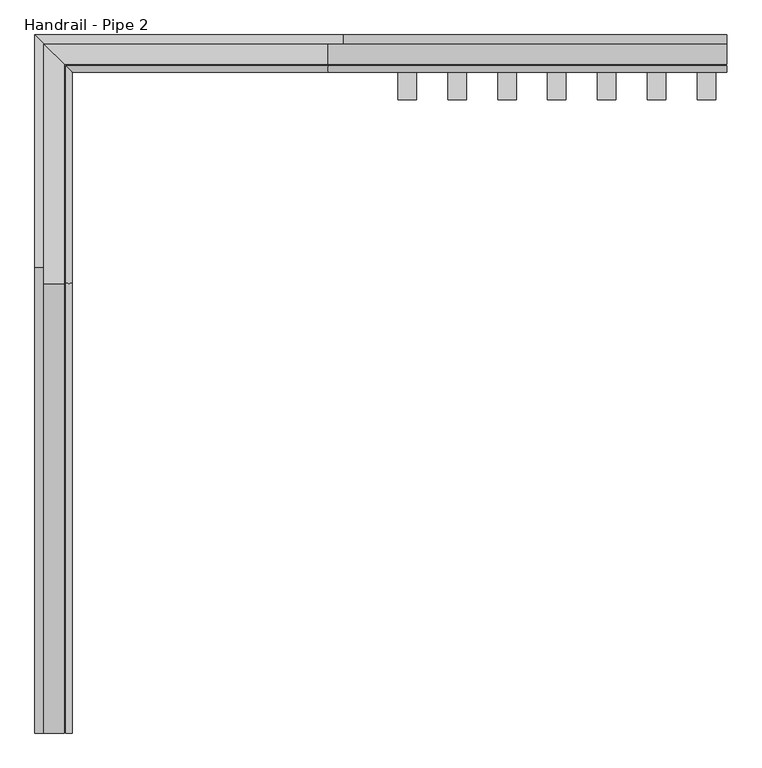
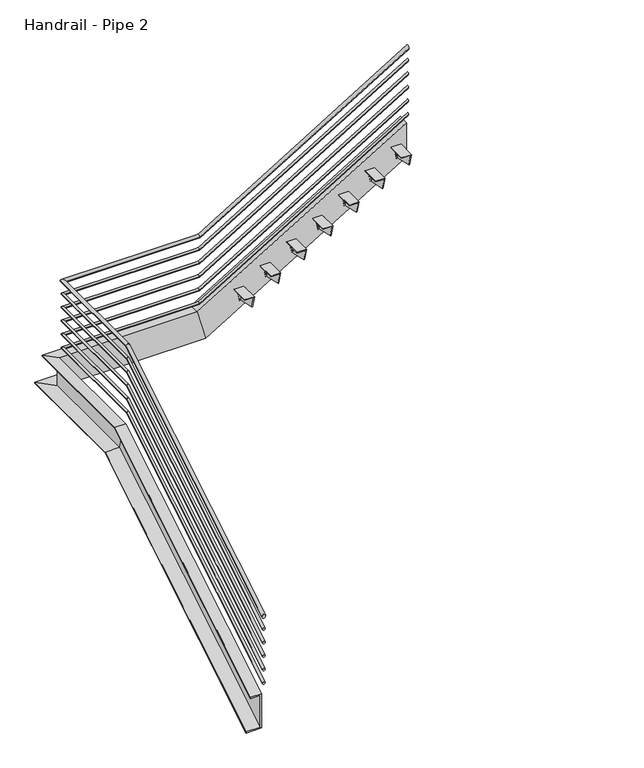
"""IFC4 building model written with IfcOpenShell, lengths in millimetres: railing geometry, Handrail - Pipe 2."""

import ifcopenshell
import ifcopenshell.guid

model = None  # the IFC model being written
_history = None  # IfcOwnerHistory: only IFC2X3 demands one
_inside = {}  # id of a spatial element -> (the spatial element, [elements in it])
_under = {}  # id of a project, library or spatial element -> (it, [spatial elements below it])
_declared = {}  # id of a project -> (the project, [libraries it declares])
_typed = {}  # id of a type object -> (the type object, [elements of that type])
_made_of = {}  # id of a material, layer set ... -> (it, [elements and type objects made of it])


def new_model(schema):
    """Start an empty IFC model of exactly this schema.

    Asked for "IFC4X3", IfcOpenShell would pick the latest addendum, in which some entities
    have other attributes; the version numbers below select the first issue.
    IFC2X3 requires an IfcOwnerHistory on every rooted entity: one is made here for all.
    """
    global model, _history
    if schema == "IFC4X3":
        model = ifcopenshell.file(schema_version=(4, 3, 0, 0))
    else:
        model = ifcopenshell.file(schema=schema)
    _inside.clear()
    _under.clear()
    _declared.clear()
    _typed.clear()
    _made_of.clear()
    _history = None
    if model.schema == "IFC2X3":
        org = make("IfcOrganization", Name="unknown")
        user = make(
            "IfcPersonAndOrganization",
            ThePerson=make("IfcPerson", FamilyName="unknown"),
            TheOrganization=org,
        )
        app = make(
            "IfcApplication",
            ApplicationDeveloper=org,
            Version="unknown",
            ApplicationFullName="unknown",
            ApplicationIdentifier="unknown",
        )
        _history = make(
            "IfcOwnerHistory",
            OwningUser=user,
            OwningApplication=app,
            ChangeAction="ADDED",
            CreationDate=0,
        )
    return model


def make(cls, **values):
    """One entity of the class cls with the attributes given. An attribute that is None is left unset."""
    return model.create_entity(
        cls, **{name: value for name, value in values.items() if value is not None}
    )


def rooted(cls, **values):
    """An entity with a GlobalId (a new one), such as an element, a storey or a relation."""
    return make(cls, GlobalId=ifcopenshell.guid.new(), OwnerHistory=_history, **values)


def si_unit(unit_type, name, prefix=None):
    """IfcSIUnit, for example si_unit("LENGTHUNIT", "METRE", prefix="MILLI")."""
    return make("IfcSIUnit", UnitType=unit_type, Prefix=prefix, Name=name)


def assignment(units):
    """IfcUnitAssignment: the units of a project."""
    return None if units is None else make("IfcUnitAssignment", Units=units)


def point(xyz):
    """IfcCartesianPoint."""
    return None if xyz is None else make("IfcCartesianPoint", Coordinates=xyz)


def direction(xyz):
    """IfcDirection."""
    return None if xyz is None else make("IfcDirection", DirectionRatios=xyz)


def frame(location, z_axis=None, x_axis=None):
    """IfcAxis2Placement3D, a coordinate frame: its origin and axes. An axis left out is left unset."""
    return make(
        "IfcAxis2Placement3D",
        Location=point(location),
        Axis=direction(z_axis),
        RefDirection=direction(x_axis),
    )


def origin():
    """The frame at (0, 0, 0) with its axes left unset."""
    return frame((0.0, 0.0, 0.0))


def place(relative_to, where):
    """IfcLocalPlacement: puts the frame where relative to a parent placement (None: the world)."""
    return make(
        "IfcLocalPlacement", PlacementRelTo=relative_to, RelativePlacement=where
    )


def context(
    kind, dimensions, precision=None, world=None, true_north=None, identifier=None
):
    """IfcGeometricRepresentationContext, for example the 3D "Model" context."""
    return make(
        "IfcGeometricRepresentationContext",
        ContextIdentifier=identifier,
        ContextType=kind,
        CoordinateSpaceDimension=dimensions,
        Precision=precision,
        WorldCoordinateSystem=world,
        TrueNorth=true_north,
    )


def project(units=None, contexts=None):
    """IfcProject with its units and contexts."""
    return rooted(
        "IfcProject",
        Name="project",
        RepresentationContexts=contexts,
        UnitsInContext=assignment(units),
    )


def spatial(cls, under=None, at=None, **own):
    """A site, building, storey or space (cls), placed at a placement, below another one or the project."""
    s = rooted(cls, ObjectPlacement=at, **own)
    if under is not None:
        _under.setdefault(under.id(), (under, []))[1].append(s)
    return s


def polyline(points):
    """IfcPolyline through the points."""
    return make("IfcPolyline", Points=[point(p) for p in points])


def ellipse_curve(where, semi_axis1, semi_axis2):
    """IfcEllipse in the frame where."""
    return make(
        "IfcEllipse", Position=where, SemiAxis1=semi_axis1, SemiAxis2=semi_axis2
    )


def outline(outer, holes=None, kind="AREA"):
    """IfcArbitraryClosedProfileDef: a profile drawn as a closed curve; with holes, ...WithVoids."""
    if holes is None:
        return make("IfcArbitraryClosedProfileDef", ProfileType=kind, OuterCurve=outer)
    return make(
        "IfcArbitraryProfileDefWithVoids",
        ProfileType=kind,
        OuterCurve=outer,
        InnerCurves=holes,
    )


def extrude(swept, where, along, depth):
    """IfcExtrudedAreaSolid: the profile swept, set in the frame where, extruded along a direction by depth."""
    return make(
        "IfcExtrudedAreaSolid",
        SweptArea=swept,
        Position=where,
        ExtrudedDirection=direction(along),
        Depth=depth,
    )


def faces_of(points, faces, orient=None, outer=None):
    """IfcFace entities. A face is a list of loops; a loop is a list of indices into points, from 0.

    orient and outer hold one flag for each loop. By default every Orientation is true, the
    first loop of a face is its IfcFaceOuterBound and the others are IfcFaceBound.
    """
    made = []
    for i, loops in enumerate(faces):
        bounds = []
        for j, loop in enumerate(loops):
            is_outer = j == 0 if outer is None else outer[i][j]
            bounds.append(
                make(
                    "IfcFaceOuterBound" if is_outer else "IfcFaceBound",
                    Bound=make("IfcPolyLoop", Polygon=[points[k] for k in loop]),
                    Orientation=True if orient is None else orient[i][j],
                )
            )
        made.append(make("IfcFace", Bounds=bounds))
    return made


def faceted_brep(points, faces, orient=None, outer=None, voids=None):
    """IfcFacetedBrep: a solid bounded by flat faces; with voids (closed shells), ...WithVoids."""
    shared = [point(p) for p in points]
    hull = make("IfcClosedShell", CfsFaces=faces_of(shared, faces, orient, outer))
    if voids is None:
        return make("IfcFacetedBrep", Outer=hull)
    return make(
        "IfcFacetedBrepWithVoids",
        Outer=hull,
        Voids=[
            make(cls, CfsFaces=faces_of(shared, fs, o, b)) for cls, fs, o, b in voids
        ],
    )


def shape(context_of_items, identifier, shape_type, items):
    """IfcShapeRepresentation: the items that make up one representation, for example the "Body"."""
    return make(
        "IfcShapeRepresentation",
        ContextOfItems=context_of_items,
        RepresentationIdentifier=identifier,
        RepresentationType=shape_type,
        Items=items,
    )


def source(mapping_origin, context_of_items, identifier, shape_type, items):
    """IfcRepresentationMap: a shape defined once, which mapped items show again and again."""
    return make(
        "IfcRepresentationMap",
        MappingOrigin=mapping_origin,
        MappedRepresentation=shape(context_of_items, identifier, shape_type, items),
    )


def transform(
    local_origin,
    x_axis=None,
    y_axis=None,
    z_axis=None,
    scale=None,
    scale2=None,
    scale3=None,
    uniform=True,
):
    """IfcCartesianTransformationOperator3D, or its non-uniform kind. x_axis, y_axis, z_axis: its Axis1, 2, 3."""
    if uniform:
        return make(
            "IfcCartesianTransformationOperator3D",
            Axis1=direction(x_axis),
            Axis2=direction(y_axis),
            LocalOrigin=point(local_origin),
            Scale=scale,
            Axis3=direction(z_axis),
        )
    return make(
        "IfcCartesianTransformationOperator3DnonUniform",
        Axis1=direction(x_axis),
        Axis2=direction(y_axis),
        LocalOrigin=point(local_origin),
        Scale=scale,
        Axis3=direction(z_axis),
        Scale2=scale2,
        Scale3=scale3,
    )


def mapped(mapping_source, mapping_target):
    """IfcMappedItem: shows the shape of a source again, moved by a transform."""
    return make(
        "IfcMappedItem", MappingSource=mapping_source, MappingTarget=mapping_target
    )


def made_of(thing, what):
    """Note that an element or type object is made of a material, layer set ...; save() writes the relation."""
    if what is not None:
        _made_of.setdefault(what.id(), (what, []))[1].append(thing)
    return thing


def element(
    cls,
    number,
    at=None,
    inside=None,
    cuts=None,
    type_object=None,
    material=None,
    context=None,
    identifier="Body",
    shape_type=None,
    held_by="IfcProductDefinitionShape",
    body=None,
    shapes=None,
    **own,
):
    """One element of the class cls, such as IfcWall. Its Tag is "e" and its number.

    at: its placement. inside: the storey or other place that contains it. cuts: it is an
    opening in that element (IfcRelVoidsElement). A single representation is given by context,
    identifier, shape_type and body (its items); several are given by shapes. held_by: the class
    of the entity that holds the representations. save() writes the other relations.
    """
    e = rooted(cls, Tag="e%d" % number, ObjectPlacement=at, **own)
    if body is not None:
        shapes = [shape(context, identifier, shape_type, body)]
    if shapes is not None:
        e.Representation = make(held_by, Representations=shapes)
    if inside is not None:
        _inside.setdefault(inside.id(), (inside, []))[1].append(e)
    if cuts is not None:
        rooted(
            "IfcRelVoidsElement", RelatingBuildingElement=cuts, RelatedOpeningElement=e
        )
    if type_object is not None:
        _typed.setdefault(type_object.id(), (type_object, []))[1].append(e)
    return made_of(e, material)


def aggregate(whole, parts):
    """IfcRelAggregates: a whole, such as a stair, and the parts it consists of."""
    return rooted("IfcRelAggregates", RelatingObject=whole, RelatedObjects=parts)


def save(model, path):
    """Write the relations noted so far, then the file.

    IfcRelAggregates (storeys below a building ...), IfcRelContainedInSpatialStructure (elements
    in a storey), IfcRelDefinesByType, IfcRelAssociatesMaterial and IfcRelDeclares: one each for
    every whole, place, type object, material and project.
    """
    for whole, parts in _under.values():
        aggregate(whole, parts)
    for where, things in _inside.values():
        rooted(
            "IfcRelContainedInSpatialStructure",
            RelatedElements=things,
            RelatingStructure=where,
        )
    for kind, things in _typed.values():
        rooted("IfcRelDefinesByType", RelatedObjects=things, RelatingType=kind)
    for what, things in _made_of.values():
        rooted("IfcRelAssociatesMaterial", RelatedObjects=things, RelatingMaterial=what)
    for by, libraries in _declared.values():
        rooted("IfcRelDeclares", RelatingContext=by, RelatedDefinitions=libraries)
    model.write(path)


def plane_surface(at):
    """IfcPlane: the flat surface through the origin of the frame at, square to its z axis."""
    return make("IfcPlane", Position=at)


def cylinder_surface(at, radius):
    """IfcCylindricalSurface: all points at the distance radius from the z axis of the frame at."""
    return make("IfcCylindricalSurface", Position=at, Radius=radius)


def advanced_brep(points, edges, surfaces, faces):
    """IfcAdvancedBrep: a solid bounded by faces that lie on surfaces and meet in shared edges.

    An edge is (start, end): straight between two places in points (the first is 0);
    or (start, end, curve); or (start, end, curve, False) where it runs against its curve.
    A face is (place in surfaces, loops), or (place, loops, False) where it looks against
    its surface's normal. A loop lists edges by number (the first is 1), with a minus sign
    where the edge is run from its end to its start. The first loop is the outer one.
    """
    corners = [point(p) for p in points]
    vertices = [make("IfcVertexPoint", VertexGeometry=c) for c in corners]
    made = []
    for start, end, *more in edges:
        made.append(
            make(
                "IfcEdgeCurve",
                EdgeStart=vertices[start],
                EdgeEnd=vertices[end],
                EdgeGeometry=more[0] if more else make("IfcPolyline", Points=[corners[start], corners[end]]),
                SameSense=more[1] if len(more) > 1 else True,
            )
        )
    hull = []
    for where, loops, *sense in faces:
        bounds = []
        for j, loop in enumerate(loops):
            ring = [make("IfcOrientedEdge", EdgeElement=made[abs(k) - 1], Orientation=k > 0) for k in loop]
            bounds.append(
                make(
                    "IfcFaceOuterBound" if j == 0 else "IfcFaceBound",
                    Bound=make("IfcEdgeLoop", EdgeList=ring),
                    Orientation=True,
                )
            )
        hull.append(make("IfcAdvancedFace", Bounds=bounds, FaceSurface=surfaces[where], SameSense=sense[0] if sense else True))
    return make("IfcAdvancedBrep", Outer=make("IfcClosedShell", CfsFaces=hull))


def handrail_pipe_2_bef12316(model_context):
    return source(origin(), model_context, "Body", "SolidModel", [
        advanced_brep(
        [(-6640.4537229, -1003.5166859, 1061.4577857), (-6602.3537229, -1003.5166859, 1061.4577857), (-6640.4537229, 1516.4054676, 2588.6833333), (-6602.3537229, 1516.4054676, 2588.6833333), (-6640.4537229, 2730.2833141, 2588.6833333), (-6602.3537229, 2692.1833141, 2588.6833333), (-5168.2815694, 2730.2833141, 2588.6833333), (-5168.2815694, 2692.1833141, 2588.6833333), (-2938.4037229, 2730.2833141, 3940.1244524), (-2938.4037229, 2692.1833141, 3940.1244524)],
        [
            (0, 1, ellipse_curve(frame((-6621.4037229, -1003.5166859, 1061.4577857), z_axis=(0.0, -1.0, 0.0), x_axis=(0.0, 0.0, -1.0)), 22.2755476, 19.05)),
            (1, 0, ellipse_curve(frame((-6621.4037229, -1003.5166859, 1061.4577857), z_axis=(0.0, -1.0, 0.0), x_axis=(0.0, 0.0, -1.0)), 22.2755476, 19.05)),
            (0, 2),
            (2, 3, ellipse_curve(frame((-6621.4037229, 1516.4054676, 2588.6833333), z_axis=(0.0, -0.963119367356418, -0.2690744956754042), x_axis=(0.0, 0.2690744956754046, -0.963119367356418)), 19.7794797, 19.05)),
            (3, 1),
            (3, 2, ellipse_curve(frame((-6621.4037229, 1516.4054676, 2588.6833333), z_axis=(0.0, -0.963119367356418, -0.2690744956754042), x_axis=(0.0, 0.2690744956754046, -0.963119367356418)), 19.7794797, 19.05)),
            (2, 4),
            (4, 5, ellipse_curve(frame((-6621.4037229, 2711.2333141, 2588.6833333), z_axis=(-0.7071067811865491, -0.7071067811865459, 0.0), x_axis=(0.707106781186546, -0.707106781186549, 0.0)), 26.9407684, 19.05)),
            (5, 3),
            (5, 4, ellipse_curve(frame((-6621.4037229, 2711.2333141, 2588.6833333), z_axis=(-0.7071067811865491, -0.7071067811865459, 0.0), x_axis=(0.707106781186546, -0.707106781186549, 0.0)), 26.9407684, 19.05)),
            (4, 6),
            (6, 7, ellipse_curve(frame((-5168.2815694, 2711.2333141, 2588.6833333), z_axis=(-0.9631193673564179, 0.0, -0.26907449567540426), x_axis=(-0.2690744956754049, 0.0, 0.9631193673564178)), 19.7794797, 19.05)),
            (7, 5),
            (7, 6, ellipse_curve(frame((-5168.2815694, 2711.2333141, 2588.6833333), z_axis=(-0.9631193673564179, 0.0, -0.26907449567540426), x_axis=(-0.2690744956754049, 0.0, 0.9631193673564178)), 19.7794797, 19.05)),
            (8, 9, ellipse_curve(frame((-2938.4037229, 2711.2333141, 3940.1244524), z_axis=(1.0, 0.0, 0.0), x_axis=(0.0, 0.0, -1.0)), 22.2755476, 19.05)),
            (9, 8, ellipse_curve(frame((-2938.4037229, 2711.2333141, 3940.1244524), z_axis=(1.0, 0.0, 0.0), x_axis=(0.0, 0.0, -1.0)), 22.2755476, 19.05)),
            (6, 8),
            (9, 7),
        ],
        [
            plane_surface(frame((-6621.4037229, -1003.5166859, 1083.7333333), z_axis=(0.0, -1.0, 0.0), x_axis=(0.0, 0.0, 1.0))),
            cylinder_surface(frame((-6621.4037229, -993.6430383, 1067.4418146), z_axis=(0.0, -0.8551978315540538, -0.518301716093285), x_axis=(1.0, 0.0, 0.0)), 19.05),
            cylinder_surface(frame((-6621.4037229, 1511.0833141, 2588.6833333), z_axis=(0.0, -1.0, 0.0), x_axis=(1.0, 0.0, 0.0)), 19.05),
            cylinder_surface(frame((-6621.4037229, 2711.2333141, 2588.6833333), z_axis=(-1.0, 0.0, 0.0), x_axis=(0.0, -1.0, 0.0)), 19.05),
            plane_surface(frame((-2938.4037229, 2711.2333141, 3962.4), z_axis=(1.0, 0.0, 0.0), x_axis=(0.0, 1.0, 0.0))),
            cylinder_surface(frame((-5163.7300752, 2711.2333141, 2591.4418146), z_axis=(-0.8551978315540537, 0.0, -0.5183017160932851), x_axis=(0.0, -1.0, 0.0)), 19.05),
        ],
        [
            (0, [[1, 2]]),
            (1, [[-1, 3, 4, 5]]),
            (1, [[-2, -5, 6, -3]]),
            (2, [[-4, 7, 8, 9]]),
            (2, [[-6, -9, 10, -7]]),
            (3, [[-8, 11, 12, 13]]),
            (3, [[-10, -13, 14, -11]]),
            (4, [[15, 16]]),
            (5, [[-12, 17, -16, 18]]),
            (5, [[-14, -18, -15, -17]]),
        ],
    ),
        advanced_brep(
        [(-6634.1037229, -1003.5166859, 916.4829683), (-6608.7037229, -1003.5166859, 916.4829683), (-6634.1037229, 1514.6314164, 2442.6333333), (-6608.7037229, 1514.6314164, 2442.6333333), (-6634.1037229, 2723.9333141, 2442.6333333), (-6608.7037229, 2698.5333141, 2442.6333333), (-5170.0556206, 2723.9333141, 2442.6333333), (-5170.0556206, 2698.5333141, 2442.6333333), (-2938.4037229, 2723.9333141, 3795.1496349), (-2938.4037229, 2698.5333141, 3795.1496349)],
        [
            (0, 1, ellipse_curve(frame((-6621.4037229, -1003.5166859, 916.4829683), z_axis=(0.0, -1.0, 0.0), x_axis=(0.0, 0.0, -1.0)), 14.8503651, 12.7)),
            (1, 0, ellipse_curve(frame((-6621.4037229, -1003.5166859, 916.4829683), z_axis=(0.0, -1.0, 0.0), x_axis=(0.0, 0.0, -1.0)), 14.8503651, 12.7)),
            (0, 2),
            (2, 3, ellipse_curve(frame((-6621.4037229, 1514.6314164, 2442.6333333), z_axis=(0.0, -0.963119367356418, -0.2690744956754042), x_axis=(0.0, 0.2690744956754046, -0.963119367356418)), 13.1863198, 12.7)),
            (3, 1),
            (3, 2, ellipse_curve(frame((-6621.4037229, 1514.6314164, 2442.6333333), z_axis=(0.0, -0.963119367356418, -0.2690744956754042), x_axis=(0.0, 0.2690744956754046, -0.963119367356418)), 13.1863198, 12.7)),
            (2, 4),
            (4, 5, ellipse_curve(frame((-6621.4037229, 2711.2333141, 2442.6333333), z_axis=(-0.7071067811865491, -0.7071067811865459, 0.0), x_axis=(0.707106781186546, -0.707106781186549, 0.0)), 17.9605122, 12.7)),
            (5, 3),
            (5, 4, ellipse_curve(frame((-6621.4037229, 2711.2333141, 2442.6333333), z_axis=(-0.7071067811865491, -0.7071067811865459, 0.0), x_axis=(0.707106781186546, -0.707106781186549, 0.0)), 17.9605122, 12.7)),
            (4, 6),
            (6, 7, ellipse_curve(frame((-5170.0556206, 2711.2333141, 2442.6333333), z_axis=(-0.9631193673564179, 0.0, -0.26907449567540426), x_axis=(-0.2690744956754049, 0.0, 0.9631193673564178)), 13.1863198, 12.7)),
            (7, 5),
            (7, 6, ellipse_curve(frame((-5170.0556206, 2711.2333141, 2442.6333333), z_axis=(-0.9631193673564179, 0.0, -0.26907449567540426), x_axis=(-0.2690744956754049, 0.0, 0.9631193673564178)), 13.1863198, 12.7)),
            (8, 9, ellipse_curve(frame((-2938.4037229, 2711.2333141, 3795.1496349), z_axis=(1.0, 0.0, 0.0), x_axis=(0.0, 0.0, -1.0)), 14.8503651, 12.7)),
            (9, 8, ellipse_curve(frame((-2938.4037229, 2711.2333141, 3795.1496349), z_axis=(1.0, 0.0, 0.0), x_axis=(0.0, 0.0, -1.0)), 14.8503651, 12.7)),
            (6, 8),
            (9, 7),
        ],
        [
            plane_surface(frame((-6621.4037229, -1003.5166859, 931.3333333), z_axis=(0.0, -1.0, 0.0), x_axis=(0.0, 0.0, 1.0))),
            cylinder_surface(frame((-6621.4037229, -996.9342542, 920.4723209), z_axis=(0.0, -0.8551978315540538, -0.518301716093285), x_axis=(1.0, 0.0, 0.0)), 12.7),
            cylinder_surface(frame((-6621.4037229, 1511.0833141, 2442.6333333), z_axis=(0.0, -1.0, 0.0), x_axis=(1.0, 0.0, 0.0)), 12.7),
            cylinder_surface(frame((-6621.4037229, 2711.2333141, 2442.6333333), z_axis=(-1.0, 0.0, 0.0), x_axis=(0.0, -1.0, 0.0)), 12.7),
            plane_surface(frame((-2938.4037229, 2711.2333141, 3810.0), z_axis=(1.0, 0.0, 0.0), x_axis=(0.0, 1.0, 0.0))),
            cylinder_surface(frame((-5167.0212911, 2711.2333141, 2444.4723209), z_axis=(-0.8551978315540537, 0.0, -0.5183017160932851), x_axis=(0.0, -1.0, 0.0)), 12.7),
        ],
        [
            (0, [[1, 2]]),
            (1, [[-1, 3, 4, 5]]),
            (1, [[-2, -5, 6, -3]]),
            (2, [[-4, 7, 8, 9]]),
            (2, [[-6, -9, 10, -7]]),
            (3, [[-8, 11, 12, 13]]),
            (3, [[-10, -13, 14, -11]]),
            (4, [[15, 16]]),
            (5, [[-12, 17, -16, 18]]),
            (5, [[-14, -18, -15, -17]]),
        ],
    ),
        advanced_brep(
        [(-6634.1037229, -1003.5166859, 764.0829683), (-6608.7037229, -1003.5166859, 764.0829683), (-6634.1037229, 1514.6314164, 2290.2333333), (-6608.7037229, 1514.6314164, 2290.2333333), (-6634.1037229, 2723.9333141, 2290.2333333), (-6608.7037229, 2698.5333141, 2290.2333333), (-5170.0556206, 2723.9333141, 2290.2333333), (-5170.0556206, 2698.5333141, 2290.2333333), (-2938.4037229, 2723.9333141, 3642.7496349), (-2938.4037229, 2698.5333141, 3642.7496349)],
        [
            (0, 1, ellipse_curve(frame((-6621.4037229, -1003.5166859, 764.0829683), z_axis=(0.0, -1.0, 0.0), x_axis=(0.0, 0.0, -1.0)), 14.8503651, 12.7)),
            (1, 0, ellipse_curve(frame((-6621.4037229, -1003.5166859, 764.0829683), z_axis=(0.0, -1.0, 0.0), x_axis=(0.0, 0.0, -1.0)), 14.8503651, 12.7)),
            (0, 2),
            (2, 3, ellipse_curve(frame((-6621.4037229, 1514.6314164, 2290.2333333), z_axis=(0.0, -0.963119367356418, -0.26907449567540415), x_axis=(0.0, 0.2690744956754042, -0.963119367356418)), 13.1863198, 12.7)),
            (3, 1),
            (3, 2, ellipse_curve(frame((-6621.4037229, 1514.6314164, 2290.2333333), z_axis=(0.0, -0.963119367356418, -0.26907449567540415), x_axis=(0.0, 0.2690744956754042, -0.963119367356418)), 13.1863198, 12.7)),
            (2, 4),
            (4, 5, ellipse_curve(frame((-6621.4037229, 2711.2333141, 2290.2333333), z_axis=(-0.7071067811865491, -0.7071067811865459, 0.0), x_axis=(0.707106781186546, -0.707106781186549, 0.0)), 17.9605122, 12.7)),
            (5, 3),
            (5, 4, ellipse_curve(frame((-6621.4037229, 2711.2333141, 2290.2333333), z_axis=(-0.7071067811865491, -0.7071067811865459, 0.0), x_axis=(0.707106781186546, -0.707106781186549, 0.0)), 17.9605122, 12.7)),
            (4, 6),
            (6, 7, ellipse_curve(frame((-5170.0556206, 2711.2333141, 2290.2333333), z_axis=(-0.9631193673564179, 0.0, -0.26907449567540426), x_axis=(-0.2690744956754049, 0.0, 0.9631193673564178)), 13.1863198, 12.7)),
            (7, 5),
            (7, 6, ellipse_curve(frame((-5170.0556206, 2711.2333141, 2290.2333333), z_axis=(-0.9631193673564179, 0.0, -0.26907449567540426), x_axis=(-0.2690744956754049, 0.0, 0.9631193673564178)), 13.1863198, 12.7)),
            (8, 9, ellipse_curve(frame((-2938.4037229, 2711.2333141, 3642.7496349), z_axis=(1.0, 0.0, 0.0), x_axis=(0.0, 0.0, -1.0)), 14.8503651, 12.7)),
            (9, 8, ellipse_curve(frame((-2938.4037229, 2711.2333141, 3642.7496349), z_axis=(1.0, 0.0, 0.0), x_axis=(0.0, 0.0, -1.0)), 14.8503651, 12.7)),
            (6, 8),
            (9, 7),
        ],
        [
            plane_surface(frame((-6621.4037229, -1003.5166859, 778.9333333), z_axis=(0.0, -1.0, 0.0), x_axis=(0.0, 0.0, 1.0))),
            cylinder_surface(frame((-6621.4037229, -996.9342542, 768.0723209), z_axis=(0.0, -0.8551978315540538, -0.5183017160932849), x_axis=(1.0, 0.0, 0.0)), 12.7),
            cylinder_surface(frame((-6621.4037229, 1511.0833141, 2290.2333333), z_axis=(0.0, -1.0, 0.0), x_axis=(1.0, 0.0, 0.0)), 12.7),
            cylinder_surface(frame((-6621.4037229, 2711.2333141, 2290.2333333), z_axis=(-1.0, 0.0, 0.0), x_axis=(0.0, -1.0, 0.0)), 12.7),
            plane_surface(frame((-2938.4037229, 2711.2333141, 3657.6), z_axis=(1.0, 0.0, 0.0), x_axis=(0.0, 1.0, 0.0))),
            cylinder_surface(frame((-5167.0212911, 2711.2333141, 2292.0723209), z_axis=(-0.8551978315540537, 0.0, -0.5183017160932851), x_axis=(0.0, -1.0, 0.0)), 12.7),
        ],
        [
            (0, [[1, 2]]),
            (1, [[-1, 3, 4, 5]]),
            (1, [[-2, -5, 6, -3]]),
            (2, [[-4, 7, 8, 9]]),
            (2, [[-6, -9, 10, -7]]),
            (3, [[-8, 11, 12, 13]]),
            (3, [[-10, -13, 14, -11]]),
            (4, [[15, 16]]),
            (5, [[-12, 17, -16, 18]]),
            (5, [[-14, -18, -15, -17]]),
        ],
    ),
        advanced_brep(
        [(-6634.1037229, -1003.5166859, 611.6829683), (-6608.7037229, -1003.5166859, 611.6829683), (-6634.1037229, 1514.6314164, 2137.8333333), (-6608.7037229, 1514.6314164, 2137.8333333), (-6634.1037229, 2723.9333141, 2137.8333333), (-6608.7037229, 2698.5333141, 2137.8333333), (-5170.0556206, 2723.9333141, 2137.8333333), (-5170.0556206, 2698.5333141, 2137.8333333), (-2938.4037229, 2723.9333141, 3490.3496349), (-2938.4037229, 2698.5333141, 3490.3496349)],
        [
            (0, 1, ellipse_curve(frame((-6621.4037229, -1003.5166859, 611.6829683), z_axis=(0.0, -1.0, 0.0), x_axis=(0.0, 0.0, -1.0)), 14.8503651, 12.7)),
            (1, 0, ellipse_curve(frame((-6621.4037229, -1003.5166859, 611.6829683), z_axis=(0.0, -1.0, 0.0), x_axis=(0.0, 0.0, -1.0)), 14.8503651, 12.7)),
            (0, 2),
            (2, 3, ellipse_curve(frame((-6621.4037229, 1514.6314164, 2137.8333333), z_axis=(0.0, -0.963119367356418, -0.26907449567540415), x_axis=(0.0, 0.2690744956754042, -0.963119367356418)), 13.1863198, 12.7)),
            (3, 1),
            (3, 2, ellipse_curve(frame((-6621.4037229, 1514.6314164, 2137.8333333), z_axis=(0.0, -0.963119367356418, -0.26907449567540415), x_axis=(0.0, 0.2690744956754042, -0.963119367356418)), 13.1863198, 12.7)),
            (2, 4),
            (4, 5, ellipse_curve(frame((-6621.4037229, 2711.2333141, 2137.8333333), z_axis=(-0.7071067811865491, -0.7071067811865459, 0.0), x_axis=(0.707106781186546, -0.707106781186549, 0.0)), 17.9605122, 12.7)),
            (5, 3),
            (5, 4, ellipse_curve(frame((-6621.4037229, 2711.2333141, 2137.8333333), z_axis=(-0.7071067811865491, -0.7071067811865459, 0.0), x_axis=(0.707106781186546, -0.707106781186549, 0.0)), 17.9605122, 12.7)),
            (4, 6),
            (6, 7, ellipse_curve(frame((-5170.0556206, 2711.2333141, 2137.8333333), z_axis=(-0.9631193673564179, 0.0, -0.26907449567540426), x_axis=(-0.2690744956754049, 0.0, 0.9631193673564178)), 13.1863198, 12.7)),
            (7, 5),
            (7, 6, ellipse_curve(frame((-5170.0556206, 2711.2333141, 2137.8333333), z_axis=(-0.9631193673564179, 0.0, -0.26907449567540426), x_axis=(-0.2690744956754049, 0.0, 0.9631193673564178)), 13.1863198, 12.7)),
            (8, 9, ellipse_curve(frame((-2938.4037229, 2711.2333141, 3490.3496349), z_axis=(1.0, 0.0, 0.0), x_axis=(0.0, 0.0, -1.0)), 14.8503651, 12.7)),
            (9, 8, ellipse_curve(frame((-2938.4037229, 2711.2333141, 3490.3496349), z_axis=(1.0, 0.0, 0.0), x_axis=(0.0, 0.0, -1.0)), 14.8503651, 12.7)),
            (6, 8),
            (9, 7),
        ],
        [
            plane_surface(frame((-6621.4037229, -1003.5166859, 626.5333333), z_axis=(0.0, -1.0, 0.0), x_axis=(0.0, 0.0, 1.0))),
            cylinder_surface(frame((-6621.4037229, -996.9342542, 615.6723209), z_axis=(0.0, -0.8551978315540538, -0.5183017160932849), x_axis=(1.0, 0.0, 0.0)), 12.7),
            cylinder_surface(frame((-6621.4037229, 1511.0833141, 2137.8333333), z_axis=(0.0, -1.0, 0.0), x_axis=(1.0, 0.0, 0.0)), 12.7),
            cylinder_surface(frame((-6621.4037229, 2711.2333141, 2137.8333333), z_axis=(-1.0, 0.0, 0.0), x_axis=(0.0, -1.0, 0.0)), 12.7),
            plane_surface(frame((-2938.4037229, 2711.2333141, 3505.2), z_axis=(1.0, 0.0, 0.0), x_axis=(0.0, 1.0, 0.0))),
            cylinder_surface(frame((-5167.0212911, 2711.2333141, 2139.6723209), z_axis=(-0.8551978315540537, 0.0, -0.5183017160932851), x_axis=(0.0, -1.0, 0.0)), 12.7),
        ],
        [
            (0, [[1, 2]]),
            (1, [[-1, 3, 4, 5]]),
            (1, [[-2, -5, 6, -3]]),
            (2, [[-4, 7, 8, 9]]),
            (2, [[-6, -9, 10, -7]]),
            (3, [[-8, 11, 12, 13]]),
            (3, [[-10, -13, 14, -11]]),
            (4, [[15, 16]]),
            (5, [[-12, 17, -16, 18]]),
            (5, [[-14, -18, -15, -17]]),
        ],
    ),
        advanced_brep(
        [(-6634.1037229, -1003.5166859, 459.2829683), (-6608.7037229, -1003.5166859, 459.2829683), (-6634.1037229, 1514.6314164, 1985.4333333), (-6608.7037229, 1514.6314164, 1985.4333333), (-6634.1037229, 2723.9333141, 1985.4333333), (-6608.7037229, 2698.5333141, 1985.4333333), (-5170.0556206, 2723.9333141, 1985.4333333), (-5170.0556206, 2698.5333141, 1985.4333333), (-2938.4037229, 2723.9333141, 3337.9496349), (-2938.4037229, 2698.5333141, 3337.9496349)],
        [
            (0, 1, ellipse_curve(frame((-6621.4037229, -1003.5166859, 459.2829683), z_axis=(0.0, -1.0, 0.0), x_axis=(0.0, 0.0, -1.0)), 14.8503651, 12.7)),
            (1, 0, ellipse_curve(frame((-6621.4037229, -1003.5166859, 459.2829683), z_axis=(0.0, -1.0, 0.0), x_axis=(0.0, 0.0, -1.0)), 14.8503651, 12.7)),
            (0, 2),
            (2, 3, ellipse_curve(frame((-6621.4037229, 1514.6314164, 1985.4333333), z_axis=(0.0, -0.963119367356418, -0.26907449567540415), x_axis=(0.0, 0.2690744956754042, -0.963119367356418)), 13.1863198, 12.7)),
            (3, 1),
            (3, 2, ellipse_curve(frame((-6621.4037229, 1514.6314164, 1985.4333333), z_axis=(0.0, -0.963119367356418, -0.26907449567540415), x_axis=(0.0, 0.2690744956754042, -0.963119367356418)), 13.1863198, 12.7)),
            (2, 4),
            (4, 5, ellipse_curve(frame((-6621.4037229, 2711.2333141, 1985.4333333), z_axis=(-0.7071067811865491, -0.7071067811865459, 0.0), x_axis=(0.707106781186546, -0.707106781186549, 0.0)), 17.9605122, 12.7)),
            (5, 3),
            (5, 4, ellipse_curve(frame((-6621.4037229, 2711.2333141, 1985.4333333), z_axis=(-0.7071067811865491, -0.7071067811865459, 0.0), x_axis=(0.707106781186546, -0.707106781186549, 0.0)), 17.9605122, 12.7)),
            (4, 6),
            (6, 7, ellipse_curve(frame((-5170.0556206, 2711.2333141, 1985.4333333), z_axis=(-0.9631193673564179, 0.0, -0.26907449567540426), x_axis=(-0.2690744956754049, 0.0, 0.9631193673564178)), 13.1863198, 12.7)),
            (7, 5),
            (7, 6, ellipse_curve(frame((-5170.0556206, 2711.2333141, 1985.4333333), z_axis=(-0.9631193673564179, 0.0, -0.26907449567540426), x_axis=(-0.2690744956754049, 0.0, 0.9631193673564178)), 13.1863198, 12.7)),
            (8, 9, ellipse_curve(frame((-2938.4037229, 2711.2333141, 3337.9496349), z_axis=(1.0, 0.0, 0.0), x_axis=(0.0, 0.0, -1.0)), 14.8503651, 12.7)),
            (9, 8, ellipse_curve(frame((-2938.4037229, 2711.2333141, 3337.9496349), z_axis=(1.0, 0.0, 0.0), x_axis=(0.0, 0.0, -1.0)), 14.8503651, 12.7)),
            (6, 8),
            (9, 7),
        ],
        [
            plane_surface(frame((-6621.4037229, -1003.5166859, 474.1333333), z_axis=(0.0, -1.0, 0.0), x_axis=(0.0, 0.0, 1.0))),
            cylinder_surface(frame((-6621.4037229, -996.9342542, 463.2723209), z_axis=(0.0, -0.8551978315540538, -0.5183017160932849), x_axis=(1.0, 0.0, 0.0)), 12.7),
            cylinder_surface(frame((-6621.4037229, 1511.0833141, 1985.4333333), z_axis=(0.0, -1.0, 0.0), x_axis=(1.0, 0.0, 0.0)), 12.7),
            cylinder_surface(frame((-6621.4037229, 2711.2333141, 1985.4333333), z_axis=(-1.0, 0.0, 0.0), x_axis=(0.0, -1.0, 0.0)), 12.7),
            plane_surface(frame((-2938.4037229, 2711.2333141, 3352.8), z_axis=(1.0, 0.0, 0.0), x_axis=(0.0, 1.0, 0.0))),
            cylinder_surface(frame((-5167.0212911, 2711.2333141, 1987.2723209), z_axis=(-0.8551978315540537, 0.0, -0.5183017160932851), x_axis=(0.0, -1.0, 0.0)), 12.7),
        ],
        [
            (0, [[1, 2]]),
            (1, [[-1, 3, 4, 5]]),
            (1, [[-2, -5, 6, -3]]),
            (2, [[-4, 7, 8, 9]]),
            (2, [[-6, -9, 10, -7]]),
            (3, [[-8, 11, 12, 13]]),
            (3, [[-10, -13, 14, -11]]),
            (4, [[15, 16]]),
            (5, [[-12, 17, -16, 18]]),
            (5, [[-14, -18, -15, -17]]),
        ],
    ),
        advanced_brep(
        [(-6634.1037229, -1003.5166859, 306.8829683), (-6608.7037229, -1003.5166859, 306.8829683), (-6634.1037229, 1514.6314164, 1833.0333333), (-6608.7037229, 1514.6314164, 1833.0333333), (-6634.1037229, 2723.9333141, 1833.0333333), (-6608.7037229, 2698.5333141, 1833.0333333), (-5170.0556206, 2723.9333141, 1833.0333333), (-5170.0556206, 2698.5333141, 1833.0333333), (-2938.4037229, 2723.9333141, 3185.5496349), (-2938.4037229, 2698.5333141, 3185.5496349)],
        [
            (0, 1, ellipse_curve(frame((-6621.4037229, -1003.5166859, 306.8829683), z_axis=(0.0, -1.0, 0.0), x_axis=(0.0, 0.0, -1.0)), 14.8503651, 12.7)),
            (1, 0, ellipse_curve(frame((-6621.4037229, -1003.5166859, 306.8829683), z_axis=(0.0, -1.0, 0.0), x_axis=(0.0, 0.0, -1.0)), 14.8503651, 12.7)),
            (0, 2),
            (2, 3, ellipse_curve(frame((-6621.4037229, 1514.6314164, 1833.0333333), z_axis=(0.0, -0.963119367356418, -0.26907449567540415), x_axis=(0.0, 0.2690744956754042, -0.963119367356418)), 13.1863198, 12.7)),
            (3, 1),
            (3, 2, ellipse_curve(frame((-6621.4037229, 1514.6314164, 1833.0333333), z_axis=(0.0, -0.963119367356418, -0.26907449567540415), x_axis=(0.0, 0.2690744956754042, -0.963119367356418)), 13.1863198, 12.7)),
            (2, 4),
            (4, 5, ellipse_curve(frame((-6621.4037229, 2711.2333141, 1833.0333333), z_axis=(-0.7071067811865491, -0.7071067811865459, 0.0), x_axis=(0.707106781186546, -0.707106781186549, 0.0)), 17.9605122, 12.7)),
            (5, 3),
            (5, 4, ellipse_curve(frame((-6621.4037229, 2711.2333141, 1833.0333333), z_axis=(-0.7071067811865491, -0.7071067811865459, 0.0), x_axis=(0.707106781186546, -0.707106781186549, 0.0)), 17.9605122, 12.7)),
            (4, 6),
            (6, 7, ellipse_curve(frame((-5170.0556206, 2711.2333141, 1833.0333333), z_axis=(-0.9631193673564179, 0.0, -0.26907449567540426), x_axis=(-0.2690744956754049, 0.0, 0.9631193673564178)), 13.1863198, 12.7)),
            (7, 5),
            (7, 6, ellipse_curve(frame((-5170.0556206, 2711.2333141, 1833.0333333), z_axis=(-0.9631193673564179, 0.0, -0.26907449567540426), x_axis=(-0.2690744956754049, 0.0, 0.9631193673564178)), 13.1863198, 12.7)),
            (8, 9, ellipse_curve(frame((-2938.4037229, 2711.2333141, 3185.5496349), z_axis=(1.0, 0.0, 0.0), x_axis=(0.0, 0.0, -1.0)), 14.8503651, 12.7)),
            (9, 8, ellipse_curve(frame((-2938.4037229, 2711.2333141, 3185.5496349), z_axis=(1.0, 0.0, 0.0), x_axis=(0.0, 0.0, -1.0)), 14.8503651, 12.7)),
            (6, 8),
            (9, 7),
        ],
        [
            plane_surface(frame((-6621.4037229, -1003.5166859, 321.7333333), z_axis=(0.0, -1.0, 0.0), x_axis=(0.0, 0.0, 1.0))),
            cylinder_surface(frame((-6621.4037229, -996.9342542, 310.8723209), z_axis=(0.0, -0.8551978315540538, -0.5183017160932849), x_axis=(1.0, 0.0, 0.0)), 12.7),
            cylinder_surface(frame((-6621.4037229, 1511.0833141, 1833.0333333), z_axis=(0.0, -1.0, 0.0), x_axis=(1.0, 0.0, 0.0)), 12.7),
            cylinder_surface(frame((-6621.4037229, 2711.2333141, 1833.0333333), z_axis=(-1.0, 0.0, 0.0), x_axis=(0.0, -1.0, 0.0)), 12.7),
            plane_surface(frame((-2938.4037229, 2711.2333141, 3200.4), z_axis=(1.0, 0.0, 0.0), x_axis=(0.0, 1.0, 0.0))),
            cylinder_surface(frame((-5167.0212911, 2711.2333141, 1834.8723209), z_axis=(-0.8551978315540537, 0.0, -0.5183017160932851), x_axis=(0.0, -1.0, 0.0)), 12.7),
        ],
        [
            (0, [[1, 2]]),
            (1, [[-1, 3, 4, 5]]),
            (1, [[-2, -5, 6, -3]]),
            (2, [[-4, 7, 8, 9]]),
            (2, [[-6, -9, 10, -7]]),
            (3, [[-8, 11, 12, 13]]),
            (3, [[-10, -13, 14, -11]]),
            (4, [[15, 16]]),
            (5, [[-12, 17, -16, 18]]),
            (5, [[-14, -18, -15, -17]]),
        ],
    ),
        faceted_brep([(-6646.8037229, -1003.5166859, 194.7333333), (-6761.1037229, -1003.5166859, 194.7333333), (-6761.1037229, -1003.5166859, 179.8829683), (-6659.5037229, -1003.5166859, 179.8829683), (-6659.5037229, -1003.5166859, -176.5257933), (-6811.9037229, -1003.5166859, -176.5257933), (-6811.9037229, -1003.5166859, -191.3761583), (-6646.8037229, -1003.5166859, -191.3761583), (-6646.8037229, 1511.0833141, 1718.7333333), (-6761.1037229, 1511.0833141, 1718.7333333), (-6761.1037229, 1514.6314164, 1706.0333333), (-6659.5037229, 1514.6314164, 1706.0333333), (-6659.5037229, 1599.7858729, 1401.2333333), (-6811.9037229, 1599.7858729, 1401.2333333), (-6811.9037229, 1603.3339753, 1388.5333333), (-6646.8037229, 1603.3339753, 1388.5333333), (-6646.8037229, 2736.6333141, 1718.7333333), (-6761.1037229, 2850.9333141, 1718.7333333), (-6761.1037229, 2850.9333141, 1706.0333333), (-6659.5037229, 2749.3333141, 1706.0333333), (-6659.5037229, 2749.3333141, 1401.2333333), (-6811.9037229, 2901.7333141, 1401.2333333), (-6811.9037229, 2901.7333141, 1388.5333333), (-6646.8037229, 2736.6333141, 1388.5333333), (-5173.6037229, 2736.6333141, 1718.7333333), (-5173.6037229, 2850.9333141, 1718.7333333), (-5170.0556206, 2850.9333141, 1706.0333333), (-5170.0556206, 2749.3333141, 1706.0333333), (-5084.901164, 2749.3333141, 1401.2333333), (-5084.901164, 2901.7333141, 1401.2333333), (-5081.3530617, 2901.7333141, 1388.5333333), (-5081.3530617, 2736.6333141, 1388.5333333), (-2938.4037229, 2736.6333141, 3073.4), (-2938.4037229, 2736.6333141, 2687.2905084), (-2938.4037229, 2901.7333141, 2687.2905084), (-2938.4037229, 2901.7333141, 2702.1408734), (-2938.4037229, 2749.3333141, 2702.1408734), (-2938.4037229, 2749.3333141, 3058.5496349), (-2938.4037229, 2850.9333141, 3058.5496349), (-2938.4037229, 2850.9333141, 3073.4)], [[[0, 1, 2, 3, 4, 5, 6, 7]], [[1, 0, 8, 9]], [[2, 1, 9, 10]], [[3, 2, 10, 11]], [[4, 3, 11, 12]], [[5, 4, 12, 13]], [[6, 5, 13, 14]], [[7, 6, 14, 15]], [[0, 7, 15, 8]], [[9, 8, 16, 17]], [[10, 9, 17, 18]], [[11, 10, 18, 19]], [[12, 11, 19, 20]], [[13, 12, 20, 21]], [[14, 13, 21, 22]], [[15, 14, 22, 23]], [[8, 15, 23, 16]], [[17, 16, 24, 25]], [[18, 17, 25, 26]], [[19, 18, 26, 27]], [[20, 19, 27, 28]], [[21, 20, 28, 29]], [[22, 21, 29, 30]], [[23, 22, 30, 31]], [[16, 23, 31, 24]], [[32, 33, 34, 35, 36, 37, 38, 39]], [[25, 24, 32, 39]], [[26, 25, 39, 38]], [[27, 26, 38, 37]], [[28, 27, 37, 36]], [[29, 28, 36, 35]], [[30, 29, 35, 34]], [[31, 30, 34, 33]], [[24, 31, 33, 32]]]),
        extrude(outline(polyline([(2827.8666667, -3071.7537229), (2700.8666667, -3046.3537229), (2700.8666667, -3008.2537229), (2827.8666667, -2982.8537229), (2827.8666667, -3071.7537229)])), frame((0.0, 2736.6333141, 0.0), z_axis=(0.0, 1.0, 0.0), x_axis=(0.0, 0.0, 1.0)), (0.0, 0.0, 1.0), 6.35),
        faceted_brep([(-2999.9987229, 2539.7833141, 2853.2666667), (-3103.5037229, 2539.7833141, 2853.2666667), (-3103.5037229, 2539.7833141, 2847.0399794), (-3007.5940604, 2539.7833141, 2847.0399794), (-3027.6181099, 2539.7833141, 2746.9197319), (-3021.2681099, 2539.7833141, 2746.9197319), (-2999.9987229, 2736.6333141, 2853.2666667), (-3028.7401346, 2736.6333141, 2709.5596081), (-3035.0901346, 2736.6333141, 2709.5596081), (-3007.5940604, 2736.6333141, 2847.0399794), (-3103.5037229, 2736.6333141, 2847.0399794), (-3103.5037229, 2736.6333141, 2853.2666667)], [[[0, 1, 2, 3, 4, 5]], [[6, 7, 8, 9, 10, 11]], [[6, 11, 1, 0]], [[11, 10, 2, 1]], [[10, 9, 3, 2]], [[9, 8, 4, 3]], [[8, 7, 5, 4]], [[7, 6, 0, 5]]]),
        extrude(outline(polyline([(2724.0834229, -3016.0384842), (2720.4172487, -3022.3884842), (2713.0849002, -3022.3884842), (2709.418726, -3016.0384842), (2713.0849002, -3009.6884842), (2720.4172487, -3009.6884842), (2724.0834229, -3016.0384842)])), frame((0.0, 2730.2833141, 0.0), z_axis=(0.0, 1.0, 0.0), x_axis=(0.0, 0.0, 1.0)), (0.0, 0.0, 1.0), 31.75),
        extrude(outline(polyline([(2817.4837322, -2997.3584223), (2813.817558, -3003.7084223), (2806.4852096, -3003.7084223), (2802.8190354, -2997.3584223), (2806.4852096, -2991.0084223), (2813.817558, -2991.0084223), (2817.4837322, -2997.3584223)])), frame((0.0, 2730.2833141, 0.0), z_axis=(0.0, 1.0, 0.0), x_axis=(0.0, 0.0, 1.0)), (0.0, 0.0, 1.0), 31.75),
        extrude(outline(polyline([(2751.0709229, -3040.9502116), (2747.4047487, -3047.3002116), (2740.0724002, -3047.3002116), (2736.406226, -3040.9502116), (2740.0724002, -3034.6002116), (2747.4047487, -3034.6002116), (2751.0709229, -3040.9502116)])), frame((0.0, 2730.2833141, 0.0), z_axis=(0.0, 1.0, 0.0), x_axis=(0.0, 0.0, 1.0)), (0.0, 0.0, 1.0), 31.75),
        extrude(outline(polyline([(2817.4837322, -3057.2490235), (2813.817558, -3063.5990235), (2806.4852096, -3063.5990235), (2802.8190354, -3057.2490235), (2806.4852096, -3050.8990235), (2813.817558, -3050.8990235), (2817.4837322, -3057.2490235)])), frame((0.0, 2730.2833141, 0.0), z_axis=(0.0, 1.0, 0.0), x_axis=(0.0, 0.0, 1.0)), (0.0, 0.0, 1.0), 31.75),
        extrude(outline(polyline([(2658.5333333, -3351.1537229), (2531.5333333, -3325.7537229), (2531.5333333, -3287.6537229), (2658.5333333, -3262.2537229), (2658.5333333, -3351.1537229)])), frame((0.0, 2736.6333141, 0.0), z_axis=(0.0, 1.0, 0.0), x_axis=(0.0, 0.0, 1.0)), (0.0, 0.0, 1.0), 6.35),
        faceted_brep([(-3279.3987229, 2539.7833141, 2683.9333333), (-3382.9037229, 2539.7833141, 2683.9333333), (-3382.9037229, 2539.7833141, 2677.706646), (-3286.9940604, 2539.7833141, 2677.706646), (-3307.0181099, 2539.7833141, 2577.5863986), (-3300.6681099, 2539.7833141, 2577.5863986), (-3279.3987229, 2736.6333141, 2683.9333333), (-3308.1401346, 2736.6333141, 2540.2262748), (-3314.4901346, 2736.6333141, 2540.2262748), (-3286.9940604, 2736.6333141, 2677.706646), (-3382.9037229, 2736.6333141, 2677.706646), (-3382.9037229, 2736.6333141, 2683.9333333)], [[[0, 1, 2, 3, 4, 5]], [[6, 7, 8, 9, 10, 11]], [[6, 11, 1, 0]], [[11, 10, 2, 1]], [[10, 9, 3, 2]], [[9, 8, 4, 3]], [[8, 7, 5, 4]], [[7, 6, 0, 5]]]),
        extrude(outline(polyline([(2554.7500895, -3295.4384842), (2551.0839153, -3301.7884842), (2543.7515669, -3301.7884842), (2540.0853927, -3295.4384842), (2543.7515669, -3289.0884842), (2551.0839153, -3289.0884842), (2554.7500895, -3295.4384842)])), frame((0.0, 2730.2833141, 0.0), z_axis=(0.0, 1.0, 0.0), x_axis=(0.0, 0.0, 1.0)), (0.0, 0.0, 1.0), 31.75),
        extrude(outline(polyline([(2648.1503989, -3276.7584223), (2644.4842247, -3283.1084223), (2637.1518763, -3283.1084223), (2633.4857021, -3276.7584223), (2637.1518763, -3270.4084223), (2644.4842247, -3270.4084223), (2648.1503989, -3276.7584223)])), frame((0.0, 2730.2833141, 0.0), z_axis=(0.0, 1.0, 0.0), x_axis=(0.0, 0.0, 1.0)), (0.0, 0.0, 1.0), 31.75),
        extrude(outline(polyline([(2581.7375895, -3320.3502116), (2578.0714153, -3326.7002116), (2570.7390669, -3326.7002116), (2567.0728927, -3320.3502116), (2570.7390669, -3314.0002116), (2578.0714153, -3314.0002116), (2581.7375895, -3320.3502116)])), frame((0.0, 2730.2833141, 0.0), z_axis=(0.0, 1.0, 0.0), x_axis=(0.0, 0.0, 1.0)), (0.0, 0.0, 1.0), 31.75),
        extrude(outline(polyline([(2648.1503989, -3336.6490235), (2644.4842247, -3342.9990235), (2637.1518763, -3342.9990235), (2633.4857021, -3336.6490235), (2637.1518763, -3330.2990235), (2644.4842247, -3330.2990235), (2648.1503989, -3336.6490235)])), frame((0.0, 2730.2833141, 0.0), z_axis=(0.0, 1.0, 0.0), x_axis=(0.0, 0.0, 1.0)), (0.0, 0.0, 1.0), 31.75),
        extrude(outline(polyline([(2489.2, -3630.5537229), (2362.2, -3605.1537229), (2362.2, -3567.0537229), (2489.2, -3541.6537229), (2489.2, -3630.5537229)])), frame((0.0, 2736.6333141, 0.0), z_axis=(0.0, 1.0, 0.0), x_axis=(0.0, 0.0, 1.0)), (0.0, 0.0, 1.0), 6.35),
        faceted_brep([(-3558.7987229, 2539.7833141, 2514.6), (-3662.3037229, 2539.7833141, 2514.6), (-3662.3037229, 2539.7833141, 2508.3733127), (-3566.3940604, 2539.7833141, 2508.3733127), (-3586.4181099, 2539.7833141, 2408.2530652), (-3580.0681099, 2539.7833141, 2408.2530652), (-3558.7987229, 2736.6333141, 2514.6), (-3587.5401346, 2736.6333141, 2370.8929415), (-3593.8901346, 2736.6333141, 2370.8929415), (-3566.3940604, 2736.6333141, 2508.3733127), (-3662.3037229, 2736.6333141, 2508.3733127), (-3662.3037229, 2736.6333141, 2514.6)], [[[0, 1, 2, 3, 4, 5]], [[6, 7, 8, 9, 10, 11]], [[6, 11, 1, 0]], [[11, 10, 2, 1]], [[10, 9, 3, 2]], [[9, 8, 4, 3]], [[8, 7, 5, 4]], [[7, 6, 0, 5]]]),
        extrude(outline(polyline([(2385.4167562, -3574.8384842), (2381.750582, -3581.1884842), (2374.4182336, -3581.1884842), (2370.7520594, -3574.8384842), (2374.4182336, -3568.4884842), (2381.750582, -3568.4884842), (2385.4167562, -3574.8384842)])), frame((0.0, 2730.2833141, 0.0), z_axis=(0.0, 1.0, 0.0), x_axis=(0.0, 0.0, 1.0)), (0.0, 0.0, 1.0), 31.75),
        extrude(outline(polyline([(2478.8170656, -3556.1584223), (2475.1508913, -3562.5084223), (2467.8185429, -3562.5084223), (2464.1523687, -3556.1584223), (2467.8185429, -3549.8084223), (2475.1508913, -3549.8084223), (2478.8170656, -3556.1584223)])), frame((0.0, 2730.2833141, 0.0), z_axis=(0.0, 1.0, 0.0), x_axis=(0.0, 0.0, 1.0)), (0.0, 0.0, 1.0), 31.75),
        extrude(outline(polyline([(2412.4042562, -3599.7502116), (2408.738082, -3606.1002116), (2401.4057336, -3606.1002116), (2397.7395594, -3599.7502116), (2401.4057336, -3593.4002116), (2408.738082, -3593.4002116), (2412.4042562, -3599.7502116)])), frame((0.0, 2730.2833141, 0.0), z_axis=(0.0, 1.0, 0.0), x_axis=(0.0, 0.0, 1.0)), (0.0, 0.0, 1.0), 31.75),
        extrude(outline(polyline([(2478.8170656, -3616.0490235), (2475.1508913, -3622.3990235), (2467.8185429, -3622.3990235), (2464.1523687, -3616.0490235), (2467.8185429, -3609.6990235), (2475.1508913, -3609.6990235), (2478.8170656, -3616.0490235)])), frame((0.0, 2730.2833141, 0.0), z_axis=(0.0, 1.0, 0.0), x_axis=(0.0, 0.0, 1.0)), (0.0, 0.0, 1.0), 31.75),
        extrude(outline(polyline([(2319.8666667, -3909.9537229), (2192.8666667, -3884.5537229), (2192.8666667, -3846.4537229), (2319.8666667, -3821.0537229), (2319.8666667, -3909.9537229)])), frame((0.0, 2736.6333141, 0.0), z_axis=(0.0, 1.0, 0.0), x_axis=(0.0, 0.0, 1.0)), (0.0, 0.0, 1.0), 6.35),
        faceted_brep([(-3838.1987229, 2539.7833141, 2345.2666667), (-3941.7037229, 2539.7833141, 2345.2666667), (-3941.7037229, 2539.7833141, 2339.0399794), (-3845.7940604, 2539.7833141, 2339.0399794), (-3865.8181099, 2539.7833141, 2238.9197319), (-3859.4681099, 2539.7833141, 2238.9197319), (-3838.1987229, 2736.6333141, 2345.2666667), (-3866.9401346, 2736.6333141, 2201.5596081), (-3873.2901346, 2736.6333141, 2201.5596081), (-3845.7940604, 2736.6333141, 2339.0399794), (-3941.7037229, 2736.6333141, 2339.0399794), (-3941.7037229, 2736.6333141, 2345.2666667)], [[[0, 1, 2, 3, 4, 5]], [[6, 7, 8, 9, 10, 11]], [[6, 11, 1, 0]], [[11, 10, 2, 1]], [[10, 9, 3, 2]], [[9, 8, 4, 3]], [[8, 7, 5, 4]], [[7, 6, 0, 5]]]),
        extrude(outline(polyline([(2216.0834229, -3854.2384842), (2212.4172487, -3860.5884842), (2205.0849002, -3860.5884842), (2201.418726, -3854.2384842), (2205.0849002, -3847.8884842), (2212.4172487, -3847.8884842), (2216.0834229, -3854.2384842)])), frame((0.0, 2730.2833141, 0.0), z_axis=(0.0, 1.0, 0.0), x_axis=(0.0, 0.0, 1.0)), (0.0, 0.0, 1.0), 31.75),
        extrude(outline(polyline([(2309.4837322, -3835.5584223), (2305.817558, -3841.9084223), (2298.4852096, -3841.9084223), (2294.8190354, -3835.5584223), (2298.4852096, -3829.2084223), (2305.817558, -3829.2084223), (2309.4837322, -3835.5584223)])), frame((0.0, 2730.2833141, 0.0), z_axis=(0.0, 1.0, 0.0), x_axis=(0.0, 0.0, 1.0)), (0.0, 0.0, 1.0), 31.75),
        extrude(outline(polyline([(2243.0709229, -3879.1502116), (2239.4047487, -3885.5002116), (2232.0724002, -3885.5002116), (2228.406226, -3879.1502116), (2232.0724002, -3872.8002116), (2239.4047487, -3872.8002116), (2243.0709229, -3879.1502116)])), frame((0.0, 2730.2833141, 0.0), z_axis=(0.0, 1.0, 0.0), x_axis=(0.0, 0.0, 1.0)), (0.0, 0.0, 1.0), 31.75),
        extrude(outline(polyline([(2309.4837322, -3895.4490235), (2305.817558, -3901.7990235), (2298.4852096, -3901.7990235), (2294.8190354, -3895.4490235), (2298.4852096, -3889.0990235), (2305.817558, -3889.0990235), (2309.4837322, -3895.4490235)])), frame((0.0, 2730.2833141, 0.0), z_axis=(0.0, 1.0, 0.0), x_axis=(0.0, 0.0, 1.0)), (0.0, 0.0, 1.0), 31.75),
        extrude(outline(polyline([(2150.5333333, -4189.3537229), (2023.5333333, -4163.9537229), (2023.5333333, -4125.8537229), (2150.5333333, -4100.4537229), (2150.5333333, -4189.3537229)])), frame((0.0, 2736.6333141, 0.0), z_axis=(0.0, 1.0, 0.0), x_axis=(0.0, 0.0, 1.0)), (0.0, 0.0, 1.0), 6.35),
        faceted_brep([(-4117.5987229, 2539.7833141, 2175.9333333), (-4221.1037229, 2539.7833141, 2175.9333333), (-4221.1037229, 2539.7833141, 2169.706646), (-4125.1940604, 2539.7833141, 2169.706646), (-4145.2181099, 2539.7833141, 2069.5863986), (-4138.8681099, 2539.7833141, 2069.5863986), (-4117.5987229, 2736.6333141, 2175.9333333), (-4146.3401346, 2736.6333141, 2032.2262748), (-4152.6901346, 2736.6333141, 2032.2262748), (-4125.1940604, 2736.6333141, 2169.706646), (-4221.1037229, 2736.6333141, 2169.706646), (-4221.1037229, 2736.6333141, 2175.9333333)], [[[0, 1, 2, 3, 4, 5]], [[6, 7, 8, 9, 10, 11]], [[6, 11, 1, 0]], [[11, 10, 2, 1]], [[10, 9, 3, 2]], [[9, 8, 4, 3]], [[8, 7, 5, 4]], [[7, 6, 0, 5]]]),
        extrude(outline(polyline([(2046.7500895, -4133.6384842), (2043.0839153, -4139.9884842), (2035.7515669, -4139.9884842), (2032.0853927, -4133.6384842), (2035.7515669, -4127.2884842), (2043.0839153, -4127.2884842), (2046.7500895, -4133.6384842)])), frame((0.0, 2730.2833141, 0.0), z_axis=(0.0, 1.0, 0.0), x_axis=(0.0, 0.0, 1.0)), (0.0, 0.0, 1.0), 31.75),
        extrude(outline(polyline([(2140.1503989, -4114.9584223), (2136.4842247, -4121.3084223), (2129.1518763, -4121.3084223), (2125.4857021, -4114.9584223), (2129.1518763, -4108.6084223), (2136.4842247, -4108.6084223), (2140.1503989, -4114.9584223)])), frame((0.0, 2730.2833141, 0.0), z_axis=(0.0, 1.0, 0.0), x_axis=(0.0, 0.0, 1.0)), (0.0, 0.0, 1.0), 31.75),
        extrude(outline(polyline([(2073.7375895, -4158.5502116), (2070.0714153, -4164.9002116), (2062.7390669, -4164.9002116), (2059.0728927, -4158.5502116), (2062.7390669, -4152.2002116), (2070.0714153, -4152.2002116), (2073.7375895, -4158.5502116)])), frame((0.0, 2730.2833141, 0.0), z_axis=(0.0, 1.0, 0.0), x_axis=(0.0, 0.0, 1.0)), (0.0, 0.0, 1.0), 31.75),
        extrude(outline(polyline([(2140.1503989, -4174.8490235), (2136.4842247, -4181.1990235), (2129.1518763, -4181.1990235), (2125.4857021, -4174.8490235), (2129.1518763, -4168.4990235), (2136.4842247, -4168.4990235), (2140.1503989, -4174.8490235)])), frame((0.0, 2730.2833141, 0.0), z_axis=(0.0, 1.0, 0.0), x_axis=(0.0, 0.0, 1.0)), (0.0, 0.0, 1.0), 31.75),
        extrude(outline(polyline([(1981.2, -4468.7537229), (1854.2, -4443.3537229), (1854.2, -4405.2537229), (1981.2, -4379.8537229), (1981.2, -4468.7537229)])), frame((0.0, 2736.6333141, 0.0), z_axis=(0.0, 1.0, 0.0), x_axis=(0.0, 0.0, 1.0)), (0.0, 0.0, 1.0), 6.35),
        faceted_brep([(-4396.9987229, 2539.7833141, 2006.6), (-4500.5037229, 2539.7833141, 2006.6), (-4500.5037229, 2539.7833141, 2000.3733127), (-4404.5940604, 2539.7833141, 2000.3733127), (-4424.6181099, 2539.7833141, 1900.2530652), (-4418.2681099, 2539.7833141, 1900.2530652), (-4396.9987229, 2736.6333141, 2006.6), (-4425.7401346, 2736.6333141, 1862.8929415), (-4432.0901346, 2736.6333141, 1862.8929415), (-4404.5940604, 2736.6333141, 2000.3733127), (-4500.5037229, 2736.6333141, 2000.3733127), (-4500.5037229, 2736.6333141, 2006.6)], [[[0, 1, 2, 3, 4, 5]], [[6, 7, 8, 9, 10, 11]], [[6, 11, 1, 0]], [[11, 10, 2, 1]], [[10, 9, 3, 2]], [[9, 8, 4, 3]], [[8, 7, 5, 4]], [[7, 6, 0, 5]]]),
        extrude(outline(polyline([(1877.4167562, -4413.0384842), (1873.750582, -4419.3884842), (1866.4182336, -4419.3884842), (1862.7520594, -4413.0384842), (1866.4182336, -4406.6884842), (1873.750582, -4406.6884842), (1877.4167562, -4413.0384842)])), frame((0.0, 2730.2833141, 0.0), z_axis=(0.0, 1.0, 0.0), x_axis=(0.0, 0.0, 1.0)), (0.0, 0.0, 1.0), 31.75),
        extrude(outline(polyline([(1970.8170656, -4394.3584223), (1967.1508913, -4400.7084223), (1959.8185429, -4400.7084223), (1956.1523687, -4394.3584223), (1959.8185429, -4388.0084223), (1967.1508913, -4388.0084223), (1970.8170656, -4394.3584223)])), frame((0.0, 2730.2833141, 0.0), z_axis=(0.0, 1.0, 0.0), x_axis=(0.0, 0.0, 1.0)), (0.0, 0.0, 1.0), 31.75),
        extrude(outline(polyline([(1904.4042562, -4437.9502116), (1900.738082, -4444.3002116), (1893.4057336, -4444.3002116), (1889.7395594, -4437.9502116), (1893.4057336, -4431.6002116), (1900.738082, -4431.6002116), (1904.4042562, -4437.9502116)])), frame((0.0, 2730.2833141, 0.0), z_axis=(0.0, 1.0, 0.0), x_axis=(0.0, 0.0, 1.0)), (0.0, 0.0, 1.0), 31.75),
        extrude(outline(polyline([(1970.8170656, -4454.2490235), (1967.1508913, -4460.5990235), (1959.8185429, -4460.5990235), (1956.1523687, -4454.2490235), (1959.8185429, -4447.8990235), (1967.1508913, -4447.8990235), (1970.8170656, -4454.2490235)])), frame((0.0, 2730.2833141, 0.0), z_axis=(0.0, 1.0, 0.0), x_axis=(0.0, 0.0, 1.0)), (0.0, 0.0, 1.0), 31.75),
        extrude(outline(polyline([(1811.8666667, -4748.1537229), (1684.8666667, -4722.7537229), (1684.8666667, -4684.6537229), (1811.8666667, -4659.2537229), (1811.8666667, -4748.1537229)])), frame((0.0, 2736.6333141, 0.0), z_axis=(0.0, 1.0, 0.0), x_axis=(0.0, 0.0, 1.0)), (0.0, 0.0, 1.0), 6.35),
        faceted_brep([(-4676.3987229, 2539.7833141, 1837.2666667), (-4779.9037229, 2539.7833141, 1837.2666667), (-4779.9037229, 2539.7833141, 1831.0399794), (-4683.9940604, 2539.7833141, 1831.0399794), (-4704.0181099, 2539.7833141, 1730.9197319), (-4697.6681099, 2539.7833141, 1730.9197319), (-4676.3987229, 2736.6333141, 1837.2666667), (-4705.1401346, 2736.6333141, 1693.5596081), (-4711.4901346, 2736.6333141, 1693.5596081), (-4683.9940604, 2736.6333141, 1831.0399794), (-4779.9037229, 2736.6333141, 1831.0399794), (-4779.9037229, 2736.6333141, 1837.2666667)], [[[0, 1, 2, 3, 4, 5]], [[6, 7, 8, 9, 10, 11]], [[6, 11, 1, 0]], [[11, 10, 2, 1]], [[10, 9, 3, 2]], [[9, 8, 4, 3]], [[8, 7, 5, 4]], [[7, 6, 0, 5]]]),
    ])


if __name__ == "__main__":
    model = new_model("IFC4")
    model_context = context("Model", 3, world=origin())
    ifc_project = project(units=[si_unit("LENGTHUNIT", "METRE", prefix="MILLI")], contexts=[model_context])
    site = spatial("IfcSite", under=ifc_project)
    building = spatial("IfcBuilding", under=site)
    placement = place(None, origin())
    handrail_pipe_2_shape = handrail_pipe_2_bef12316(model_context)
    element("IfcRailing", 1, ObjectType="Handrail - Pipe 2", at=placement, inside=building, context=model_context, shape_type="MappedRepresentation", body=[
        mapped(handrail_pipe_2_shape, transform((0.0, 0.0, 0.0), x_axis=(1.0, 0.0, 0.0), y_axis=(0.0, 1.0, 0.0), z_axis=(0.0, 0.0, 1.0))),
    ])
    save(model, "model.ifc")
